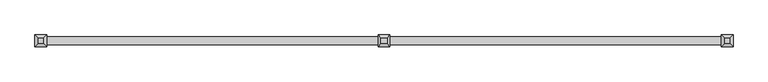
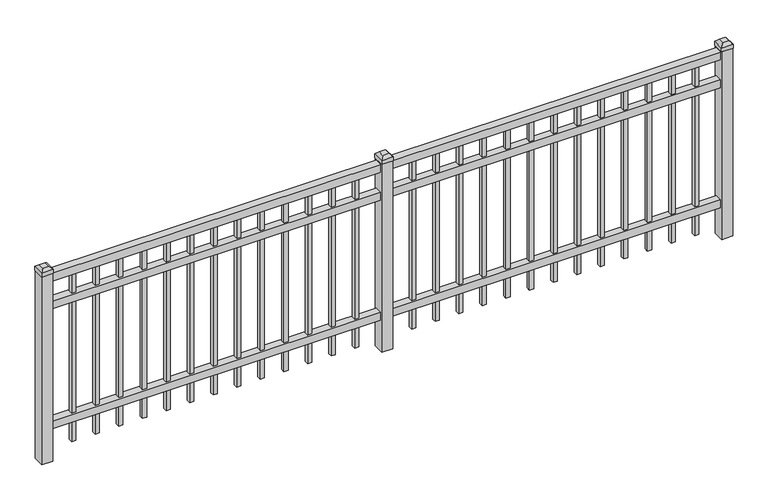
"""IFC4 building model written with IfcOpenShell, lengths in millimetres: railing geometry."""

from ifc_helpers import new_model, si_unit, frame, origin, origin_with_axes, place, context, project, spatial, polyline, outline, extrude, faceted_brep, source, transform, mapped, element, save


def railing_08bd06b0(model_context):
    return source(origin(), model_context, "Body", "SolidModel", [
        extrude(outline(polyline([(-91799.918087, -3091.1195174), (-91799.918087, -3056.1945174), (-88650.318087, -3056.1945174), (-88650.318087, -3091.1195174), (-91799.918087, -3091.1195174)])), frame((0.0, 0.0, 876.3), z_axis=(0.0, 0.0, 1.0), x_axis=(1.0, 0.0, 0.0)), (0.0, 0.0, 1.0), 38.1),
        extrude(outline(polyline([(-91799.918087, -3091.1195174), (-91799.918087, -3056.1945174), (-88650.318087, -3056.1945174), (-88650.318087, -3091.1195174), (-91799.918087, -3091.1195174)])), frame((0.0, 0.0, 739.775), z_axis=(0.0, 0.0, 1.0), x_axis=(1.0, 0.0, 0.0)), (0.0, 0.0, 1.0), 38.1),
        extrude(outline(polyline([(-91799.918087, -3091.1195174), (-91799.918087, -3056.1945174), (-88650.318087, -3056.1945174), (-88650.318087, -3091.1195174), (-91799.918087, -3091.1195174)])), frame((0.0, 0.0, 152.4), z_axis=(0.0, 0.0, 1.0), x_axis=(1.0, 0.0, 0.0)), (0.0, 0.0, 1.0), 38.1),
        extrude(outline(polyline([(-88881.8285036, -3064.1320174), (-88881.8285036, -3083.1820174), (-88900.8785036, -3083.1820174), (-88900.8785036, -3064.1320174), (-88881.8285036, -3064.1320174)])), frame((0.0, 0.0, 50.8), z_axis=(0.0, 0.0, 1.0), x_axis=(1.0, 0.0, 0.0)), (0.0, 0.0, 1.0), 825.5),
        extrude(outline(polyline([(-88991.1014203, -3064.1320174), (-88991.1014203, -3083.1820174), (-89010.1514203, -3083.1820174), (-89010.1514203, -3064.1320174), (-88991.1014203, -3064.1320174)])), frame((0.0, 0.0, 50.8), z_axis=(0.0, 0.0, 1.0), x_axis=(1.0, 0.0, 0.0)), (0.0, 0.0, 1.0), 825.5),
        extrude(outline(polyline([(-89100.374337, -3064.1320174), (-89100.374337, -3083.1820174), (-89119.424337, -3083.1820174), (-89119.424337, -3064.1320174), (-89100.374337, -3064.1320174)])), frame((0.0, 0.0, 50.8), z_axis=(0.0, 0.0, 1.0), x_axis=(1.0, 0.0, 0.0)), (0.0, 0.0, 1.0), 825.5),
        extrude(outline(polyline([(-89209.6472536, -3064.1320174), (-89209.6472536, -3083.1820174), (-89228.6972536, -3083.1820174), (-89228.6972536, -3064.1320174), (-89209.6472536, -3064.1320174)])), frame((0.0, 0.0, 50.8), z_axis=(0.0, 0.0, 1.0), x_axis=(1.0, 0.0, 0.0)), (0.0, 0.0, 1.0), 825.5),
        extrude(outline(polyline([(-89318.9201703, -3064.1320174), (-89318.9201703, -3083.1820174), (-89337.9701703, -3083.1820174), (-89337.9701703, -3064.1320174), (-89318.9201703, -3064.1320174)])), frame((0.0, 0.0, 50.8), z_axis=(0.0, 0.0, 1.0), x_axis=(1.0, 0.0, 0.0)), (0.0, 0.0, 1.0), 825.5),
        extrude(outline(polyline([(-89428.193087, -3064.1320174), (-89428.193087, -3083.1820174), (-89447.243087, -3083.1820174), (-89447.243087, -3064.1320174), (-89428.193087, -3064.1320174)])), frame((0.0, 0.0, 50.8), z_axis=(0.0, 0.0, 1.0), x_axis=(1.0, 0.0, 0.0)), (0.0, 0.0, 1.0), 825.5),
        extrude(outline(polyline([(-89537.4660036, -3064.1320174), (-89537.4660036, -3083.1820174), (-89556.5160036, -3083.1820174), (-89556.5160036, -3064.1320174), (-89537.4660036, -3064.1320174)])), frame((0.0, 0.0, 50.8), z_axis=(0.0, 0.0, 1.0), x_axis=(1.0, 0.0, 0.0)), (0.0, 0.0, 1.0), 825.5),
        extrude(outline(polyline([(-89646.7389203, -3064.1320174), (-89646.7389203, -3083.1820174), (-89665.7889203, -3083.1820174), (-89665.7889203, -3064.1320174), (-89646.7389203, -3064.1320174)])), frame((0.0, 0.0, 50.8), z_axis=(0.0, 0.0, 1.0), x_axis=(1.0, 0.0, 0.0)), (0.0, 0.0, 1.0), 825.5),
        extrude(outline(polyline([(-89756.011837, -3064.1320174), (-89756.011837, -3083.1820174), (-89775.061837, -3083.1820174), (-89775.061837, -3064.1320174), (-89756.011837, -3064.1320174)])), frame((0.0, 0.0, 50.8), z_axis=(0.0, 0.0, 1.0), x_axis=(1.0, 0.0, 0.0)), (0.0, 0.0, 1.0), 825.5),
        extrude(outline(polyline([(-89865.2847536, -3064.1320174), (-89865.2847536, -3083.1820174), (-89884.3347536, -3083.1820174), (-89884.3347536, -3064.1320174), (-89865.2847536, -3064.1320174)])), frame((0.0, 0.0, 50.8), z_axis=(0.0, 0.0, 1.0), x_axis=(1.0, 0.0, 0.0)), (0.0, 0.0, 1.0), 825.5),
        extrude(outline(polyline([(-89974.5576703, -3064.1320174), (-89974.5576703, -3083.1820174), (-89993.6076703, -3083.1820174), (-89993.6076703, -3064.1320174), (-89974.5576703, -3064.1320174)])), frame((0.0, 0.0, 50.8), z_axis=(0.0, 0.0, 1.0), x_axis=(1.0, 0.0, 0.0)), (0.0, 0.0, 1.0), 825.5),
        extrude(outline(polyline([(-88772.555587, -3064.1320174), (-88772.555587, -3083.1820174), (-88791.605587, -3083.1820174), (-88791.605587, -3064.1320174), (-88772.555587, -3064.1320174)])), frame((0.0, 0.0, 50.8), z_axis=(0.0, 0.0, 1.0), x_axis=(1.0, 0.0, 0.0)), (0.0, 0.0, 1.0), 825.5),
        extrude(outline(polyline([(-90083.830587, -3064.1320174), (-90083.830587, -3083.1820174), (-90102.880587, -3083.1820174), (-90102.880587, -3064.1320174), (-90083.830587, -3064.1320174)])), frame((0.0, 0.0, 50.8), z_axis=(0.0, 0.0, 1.0), x_axis=(1.0, 0.0, 0.0)), (0.0, 0.0, 1.0), 825.5),
        faceted_brep([(-90252.105587, -3046.6695174, 939.8), (-90252.105587, -3046.6695174, 920.75), (-90252.105587, -3100.6445174, 920.75), (-90252.105587, -3100.6445174, 939.8), (-90239.405587, -3059.3695174, 952.5), (-90239.405587, -3087.9445174, 952.5), (-90198.130587, -3100.6445174, 920.75), (-90198.130587, -3100.6445174, 939.8), (-90210.830587, -3087.9445174, 952.5), (-90198.130587, -3046.6695174, 920.75), (-90198.130587, -3046.6695174, 939.8), (-90210.830587, -3059.3695174, 952.5)], [[[0, 1, 2, 3]], [[4, 0, 3, 5]], [[3, 2, 6, 7]], [[5, 3, 7, 8]], [[7, 6, 9, 10]], [[8, 7, 10, 11]], [[10, 9, 1, 0]], [[11, 10, 0, 4]], [[5, 8, 11, 4]], [[1, 9, 6, 2]]]),
        extrude(outline(polyline([(-90199.718087, -3048.2570174), (-90199.718087, -3099.0570174), (-90250.518087, -3099.0570174), (-90250.518087, -3048.2570174), (-90199.718087, -3048.2570174)])), origin_with_axes(), (0.0, 0.0, 1.0), 920.75),
        extrude(outline(polyline([(-90456.6285036, -3064.1320174), (-90456.6285036, -3083.1820174), (-90475.6785036, -3083.1820174), (-90475.6785036, -3064.1320174), (-90456.6285036, -3064.1320174)])), frame((0.0, 0.0, 50.8), z_axis=(0.0, 0.0, 1.0), x_axis=(1.0, 0.0, 0.0)), (0.0, 0.0, 1.0), 825.5),
        extrude(outline(polyline([(-90565.9014203, -3064.1320174), (-90565.9014203, -3083.1820174), (-90584.9514203, -3083.1820174), (-90584.9514203, -3064.1320174), (-90565.9014203, -3064.1320174)])), frame((0.0, 0.0, 50.8), z_axis=(0.0, 0.0, 1.0), x_axis=(1.0, 0.0, 0.0)), (0.0, 0.0, 1.0), 825.5),
        extrude(outline(polyline([(-90675.174337, -3064.1320174), (-90675.174337, -3083.1820174), (-90694.224337, -3083.1820174), (-90694.224337, -3064.1320174), (-90675.174337, -3064.1320174)])), frame((0.0, 0.0, 50.8), z_axis=(0.0, 0.0, 1.0), x_axis=(1.0, 0.0, 0.0)), (0.0, 0.0, 1.0), 825.5),
        extrude(outline(polyline([(-90784.4472536, -3064.1320174), (-90784.4472536, -3083.1820174), (-90803.4972536, -3083.1820174), (-90803.4972536, -3064.1320174), (-90784.4472536, -3064.1320174)])), frame((0.0, 0.0, 50.8), z_axis=(0.0, 0.0, 1.0), x_axis=(1.0, 0.0, 0.0)), (0.0, 0.0, 1.0), 825.5),
        extrude(outline(polyline([(-90893.7201703, -3064.1320174), (-90893.7201703, -3083.1820174), (-90912.7701703, -3083.1820174), (-90912.7701703, -3064.1320174), (-90893.7201703, -3064.1320174)])), frame((0.0, 0.0, 50.8), z_axis=(0.0, 0.0, 1.0), x_axis=(1.0, 0.0, 0.0)), (0.0, 0.0, 1.0), 825.5),
        extrude(outline(polyline([(-91002.993087, -3064.1320174), (-91002.993087, -3083.1820174), (-91022.043087, -3083.1820174), (-91022.043087, -3064.1320174), (-91002.993087, -3064.1320174)])), frame((0.0, 0.0, 50.8), z_axis=(0.0, 0.0, 1.0), x_axis=(1.0, 0.0, 0.0)), (0.0, 0.0, 1.0), 825.5),
        extrude(outline(polyline([(-91112.2660036, -3064.1320174), (-91112.2660036, -3083.1820174), (-91131.3160036, -3083.1820174), (-91131.3160036, -3064.1320174), (-91112.2660036, -3064.1320174)])), frame((0.0, 0.0, 50.8), z_axis=(0.0, 0.0, 1.0), x_axis=(1.0, 0.0, 0.0)), (0.0, 0.0, 1.0), 825.5),
        extrude(outline(polyline([(-91221.5389203, -3064.1320174), (-91221.5389203, -3083.1820174), (-91240.5889203, -3083.1820174), (-91240.5889203, -3064.1320174), (-91221.5389203, -3064.1320174)])), frame((0.0, 0.0, 50.8), z_axis=(0.0, 0.0, 1.0), x_axis=(1.0, 0.0, 0.0)), (0.0, 0.0, 1.0), 825.5),
        extrude(outline(polyline([(-91330.811837, -3064.1320174), (-91330.811837, -3083.1820174), (-91349.861837, -3083.1820174), (-91349.861837, -3064.1320174), (-91330.811837, -3064.1320174)])), frame((0.0, 0.0, 50.8), z_axis=(0.0, 0.0, 1.0), x_axis=(1.0, 0.0, 0.0)), (0.0, 0.0, 1.0), 825.5),
        extrude(outline(polyline([(-91440.0847536, -3064.1320174), (-91440.0847536, -3083.1820174), (-91459.1347536, -3083.1820174), (-91459.1347536, -3064.1320174), (-91440.0847536, -3064.1320174)])), frame((0.0, 0.0, 50.8), z_axis=(0.0, 0.0, 1.0), x_axis=(1.0, 0.0, 0.0)), (0.0, 0.0, 1.0), 825.5),
        extrude(outline(polyline([(-91549.3576703, -3064.1320174), (-91549.3576703, -3083.1820174), (-91568.4076703, -3083.1820174), (-91568.4076703, -3064.1320174), (-91549.3576703, -3064.1320174)])), frame((0.0, 0.0, 50.8), z_axis=(0.0, 0.0, 1.0), x_axis=(1.0, 0.0, 0.0)), (0.0, 0.0, 1.0), 825.5),
        extrude(outline(polyline([(-90347.355587, -3064.1320174), (-90347.355587, -3083.1820174), (-90366.405587, -3083.1820174), (-90366.405587, -3064.1320174), (-90347.355587, -3064.1320174)])), frame((0.0, 0.0, 50.8), z_axis=(0.0, 0.0, 1.0), x_axis=(1.0, 0.0, 0.0)), (0.0, 0.0, 1.0), 825.5),
        extrude(outline(polyline([(-91658.630587, -3064.1320174), (-91658.630587, -3083.1820174), (-91677.680587, -3083.1820174), (-91677.680587, -3064.1320174), (-91658.630587, -3064.1320174)])), frame((0.0, 0.0, 50.8), z_axis=(0.0, 0.0, 1.0), x_axis=(1.0, 0.0, 0.0)), (0.0, 0.0, 1.0), 825.5),
        faceted_brep([(-88677.305587, -3046.6695174, 939.8), (-88677.305587, -3046.6695174, 920.75), (-88677.305587, -3100.6445174, 920.75), (-88677.305587, -3100.6445174, 939.8), (-88664.605587, -3059.3695174, 952.5), (-88664.605587, -3087.9445174, 952.5), (-88623.330587, -3100.6445174, 920.75), (-88623.330587, -3100.6445174, 939.8), (-88636.030587, -3087.9445174, 952.5), (-88623.330587, -3046.6695174, 920.75), (-88623.330587, -3046.6695174, 939.8), (-88636.030587, -3059.3695174, 952.5)], [[[0, 1, 2, 3]], [[4, 0, 3, 5]], [[3, 2, 6, 7]], [[5, 3, 7, 8]], [[7, 6, 9, 10]], [[8, 7, 10, 11]], [[10, 9, 1, 0]], [[11, 10, 0, 4]], [[5, 8, 11, 4]], [[1, 9, 6, 2]]]),
        extrude(outline(polyline([(-88624.918087, -3048.2570174), (-88624.918087, -3099.0570174), (-88675.718087, -3099.0570174), (-88675.718087, -3048.2570174), (-88624.918087, -3048.2570174)])), origin_with_axes(), (0.0, 0.0, 1.0), 920.75),
        faceted_brep([(-91826.905587, -3046.6695174, 939.8), (-91826.905587, -3046.6695174, 920.75), (-91826.905587, -3100.6445174, 920.75), (-91826.905587, -3100.6445174, 939.8), (-91814.205587, -3059.3695174, 952.5), (-91814.205587, -3087.9445174, 952.5), (-91772.930587, -3100.6445174, 920.75), (-91772.930587, -3100.6445174, 939.8), (-91785.630587, -3087.9445174, 952.5), (-91772.930587, -3046.6695174, 920.75), (-91772.930587, -3046.6695174, 939.8), (-91785.630587, -3059.3695174, 952.5)], [[[0, 1, 2, 3]], [[4, 0, 3, 5]], [[3, 2, 6, 7]], [[5, 3, 7, 8]], [[7, 6, 9, 10]], [[8, 7, 10, 11]], [[10, 9, 1, 0]], [[11, 10, 0, 4]], [[5, 8, 11, 4]], [[1, 9, 6, 2]]]),
        extrude(outline(polyline([(-91774.518087, -3048.2570174), (-91774.518087, -3099.0570174), (-91825.318087, -3099.0570174), (-91825.318087, -3048.2570174), (-91774.518087, -3048.2570174)])), origin_with_axes(), (0.0, 0.0, 1.0), 920.75),
    ])


if __name__ == "__main__":
    model = new_model("IFC4")
    model_context = context("Model", 3, world=origin())
    ifc_project = project(units=[si_unit("LENGTHUNIT", "METRE", prefix="MILLI")], contexts=[model_context])
    site = spatial("IfcSite", under=ifc_project)
    building = spatial("IfcBuilding", under=site)
    placement = place(None, origin())
    railing_shape = railing_08bd06b0(model_context)
    element("IfcRailing", 1, at=placement, inside=building, context=model_context, shape_type="MappedRepresentation", body=[
        mapped(railing_shape, transform((0.0, 0.0, 0.0), x_axis=(1.0, 0.0, 0.0), y_axis=(0.0, 1.0, 0.0), z_axis=(0.0, 0.0, 1.0))),
    ])
    save(model, "model.ifc")
